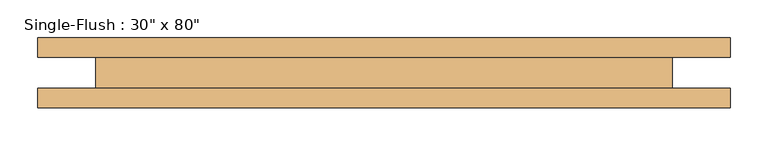
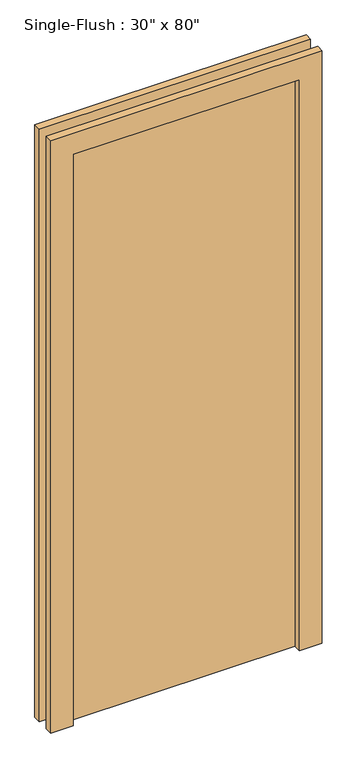
"""IFC4 building model written with IfcOpenShell, lengths in millimetres: door geometry."""

from ifc_helpers import new_model, si_unit, frame, origin, origin_with_axes, place, context, project, spatial, polyline, outline, extrude, source, transform, mapped, element, save


def door_399cda78(model_context):
    return source(origin(), model_context, "Body", "SweptSolid", [
        extrude(outline(polyline([(2108.2, -457.2), (0.0, -457.2), (0.0, -381.0), (2032.0, -381.0), (2032.0, 381.0), (0.0, 381.0), (0.0, 457.2), (2108.2, 457.2), (2108.2, -457.2)])), frame((0.0, -46.0375, 0.0), z_axis=(0.0, 1.0, 0.0), x_axis=(0.0, 0.0, 1.0)), (0.0, 0.0, 1.0), 25.4),
        extrude(outline(polyline([(2108.2, 457.2), (2108.2, -457.2), (0.0, -457.2), (0.0, -381.0), (2032.0, -381.0), (2032.0, 381.0), (0.0, 381.0), (0.0, 457.2), (2108.2, 457.2)])), frame((0.0, 20.6375, 0.0), z_axis=(0.0, 1.0, 0.0), x_axis=(0.0, 0.0, 1.0)), (0.0, 0.0, 1.0), 25.4),
        extrude(outline(polyline([(381.0, 30.1625), (381.0, -20.6375), (-381.0, -20.6375), (-381.0, 30.1625), (381.0, 30.1625)])), origin_with_axes(), (0.0, 0.0, 1.0), 2032.0),
    ])


if __name__ == "__main__":
    model = new_model("IFC4")
    model_context = context("Model", 3, world=origin())
    ifc_project = project(units=[si_unit("LENGTHUNIT", "METRE", prefix="MILLI")], contexts=[model_context])
    site = spatial("IfcSite", under=ifc_project)
    building = spatial("IfcBuilding", under=site)
    placement = place(None, origin())
    door_shape = door_399cda78(model_context)
    element("IfcDoor", 1, ObjectType="Single-Flush : 30\" x 80\"", at=placement, inside=building, context=model_context, shape_type="MappedRepresentation", body=[
        mapped(door_shape, transform((0.0, 0.0, 0.0), x_axis=(1.0, 0.0, 0.0), y_axis=(0.0, 1.0, 0.0), z_axis=(0.0, 0.0, 1.0))),
    ])
    save(model, "model.ifc")
